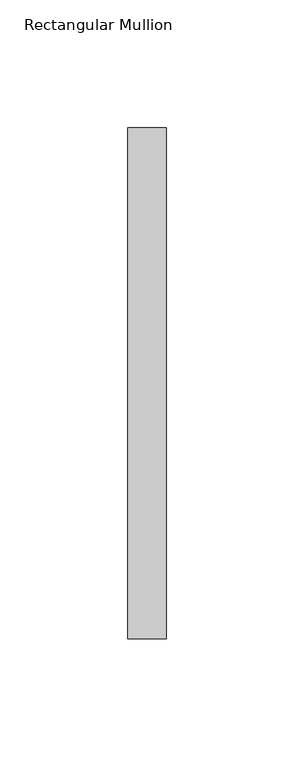
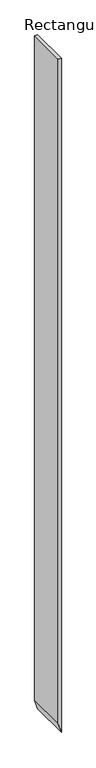
"""IFC4 building model written with IfcOpenShell, lengths in millimetres: member geometry, Rectangular Mullion."""

from ifc_helpers import new_model, si_unit, frame, origin, place, context, project, spatial, polyline, outline, extrude, source, transform, mapped, element, save


def rectangular_mullion_b8a50f8f(model_context):
    return source(origin(), model_context, "Body", "SweptSolid", [
        extrude(outline(polyline([(0.0, 0.0), (0.0, -15.0), (-3442.6549972, -15.0), (-3492.7015032, 0.0), (0.0, 0.0)])), frame((0.0, 53.0, 0.0), z_axis=(0.0, 1.0, 0.0), x_axis=(0.0, 0.0, 1.0)), (0.0, 0.0, 1.0), 200.0),
    ])


if __name__ == "__main__":
    model = new_model("IFC4")
    model_context = context("Model", 3, world=origin())
    ifc_project = project(units=[si_unit("LENGTHUNIT", "METRE", prefix="MILLI")], contexts=[model_context])
    site = spatial("IfcSite", under=ifc_project)
    building = spatial("IfcBuilding", under=site)
    placement = place(None, origin())
    rectangular_mullion_shape = rectangular_mullion_b8a50f8f(model_context)
    element("IfcMember", 1, ObjectType="Rectangular Mullion", at=placement, inside=building, context=model_context, shape_type="MappedRepresentation", body=[
        mapped(rectangular_mullion_shape, transform((0.0, 0.0, 0.0), x_axis=(1.0, 0.0, 0.0), y_axis=(0.0, 1.0, 0.0), z_axis=(0.0, 0.0, 1.0))),
    ])
    save(model, "model.ifc")
